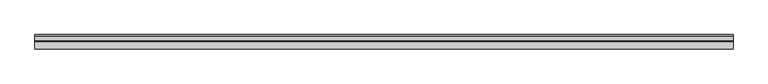
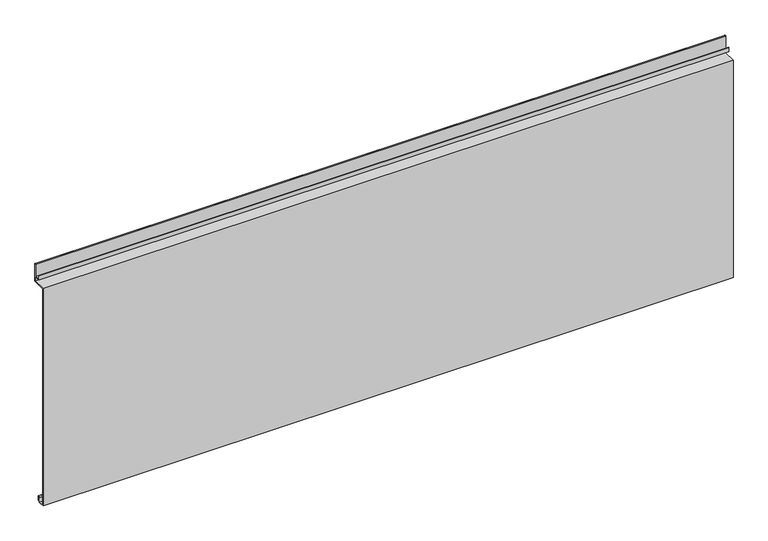
"""IFC4 building model written with IfcOpenShell, lengths in millimetres: proxy geometry."""

from ifc_helpers import new_model, si_unit, point, frame, frame_2d, origin, place, context, project, spatial, polyline, circle_curve, trimmed, segment, composite_curve, outline, extrude, source, transform, mapped, element, save


def generic_models_7da1b07b(model_context):
    return source(origin(), model_context, "Body", "SweptSolid", [
        extrude(outline(composite_curve([segment(polyline([(-39.37, 0.0), (-39.37, 609.6), (-3.3274744, 609.6000001), (-3.3274744, 656.7932001)]), True, "CONTINUOUS"), segment(trimmed(circle_curve(frame_2d((-3.7084743, 656.7932001)), 0.3809999), [point((-3.3274744, 656.7932001))], [point((-4.0894742, 656.7932001))], True, "CARTESIAN"), True, "CONTINUOUS"), segment(polyline([(-4.0894742, 656.7932001), (-4.0894742, 622.3), (-20.4864743, 622.3), (-20.4864743, 633.6538), (-19.2164744, 633.6538), (-19.2164744, 623.57), (-5.3594742, 623.57), (-5.3594742, 656.7932001)]), True, "CONTINUOUS"), segment(trimmed(circle_curve(frame_2d((-3.7084743, 656.7932001)), 1.6509999), [point((-5.3594742, 656.7932001))], [point((-2.0574744, 656.7932001))], False, "CARTESIAN"), True, "CONTINUOUS"), segment(polyline([(-2.0574744, 656.7932001), (-2.0574744, 608.33), (-38.1000002, 608.33), (-38.1000001, 1.2693678), (-23.0264743, 1.2693678), (-23.0264743, 13.124237)]), True, "CONTINUOUS"), segment(trimmed(circle_curve(frame_2d((-19.8514743, 13.124237)), 3.175), [point((-23.0264743, 13.124237))], [point((-16.6765477, 13.1458337))], False, "CARTESIAN"), True, "CONTINUOUS"), segment(polyline([(-16.6765477, 13.1458337), (-16.6765477, 2.786437), (-17.9464915, 2.786437), (-17.9464915, 13.1323356)]), True, "CONTINUOUS"), segment(trimmed(circle_curve(frame_2d((-19.8514743, 13.124237)), 1.905), [point((-17.9464915, 13.1323356))], [point((-21.7564743, 13.124237))], True, "CARTESIAN"), True, "CONTINUOUS"), segment(polyline([(-21.7564743, 13.124237), (-21.7564743, 0.0), (-39.37, 0.0)]), True, "CONTINUOUS")], self_intersect=False)), frame((-914.4, 0.0, 0.0), z_axis=(1.0, 0.0, 0.0), x_axis=(0.0, 1.0, 0.0)), (0.0, 0.0, 1.0), 1828.8),
    ])


if __name__ == "__main__":
    model = new_model("IFC4")
    model_context = context("Model", 3, world=origin())
    ifc_project = project(units=[si_unit("LENGTHUNIT", "METRE", prefix="MILLI")], contexts=[model_context])
    site = spatial("IfcSite", under=ifc_project)
    building = spatial("IfcBuilding", under=site)
    placement = place(None, origin())
    generic_models_shape = generic_models_7da1b07b(model_context)
    element("IfcBuildingElementProxy", 1, Name="Generic Models", at=placement, inside=building, context=model_context, shape_type="MappedRepresentation", body=[
        mapped(generic_models_shape, transform((0.0, 0.0, 0.0), x_axis=(1.0, 0.0, 0.0), y_axis=(0.0, 1.0, 0.0), z_axis=(0.0, 0.0, 1.0))),
    ])
    save(model, "model.ifc")
